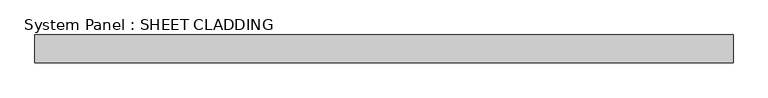
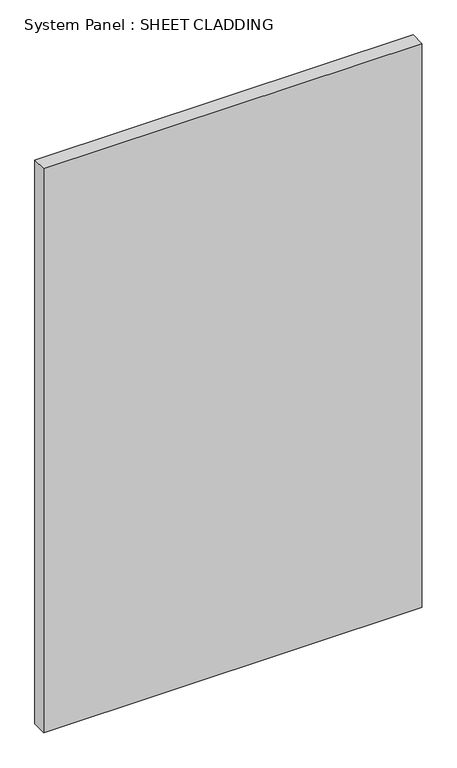
"""IFC4 building model written with IfcOpenShell, lengths in millimetres: plate geometry, System Panel : SHEET CLADDING."""

from ifc_helpers import new_model, si_unit, origin, origin_with_axes, place, context, project, spatial, polyline, outline, extrude, source, transform, mapped, element, save


def system_panel_sheet_cladding_0a04e845(model_context):
    return source(origin(), model_context, "Body", "SweptSolid", [
        extrude(outline(polyline([(750.0000002, -10.5), (-750.0000002, -10.5), (-750.0000002, 49.5), (750.0000002, 49.5), (750.0000002, -10.5)])), origin_with_axes(), (0.0, 0.0, 1.0), 2365.0),
    ])


if __name__ == "__main__":
    model = new_model("IFC4")
    model_context = context("Model", 3, world=origin())
    ifc_project = project(units=[si_unit("LENGTHUNIT", "METRE", prefix="MILLI")], contexts=[model_context])
    site = spatial("IfcSite", under=ifc_project)
    building = spatial("IfcBuilding", under=site)
    placement = place(None, origin())
    system_panel_sheet_cladding_shape = system_panel_sheet_cladding_0a04e845(model_context)
    element("IfcPlate", 1, ObjectType="System Panel : SHEET CLADDING", at=placement, inside=building, context=model_context, shape_type="MappedRepresentation", body=[
        mapped(system_panel_sheet_cladding_shape, transform((0.0, 0.0, 0.0), x_axis=(1.0, 0.0, 0.0), y_axis=(0.0, 1.0, 0.0), z_axis=(0.0, 0.0, 1.0))),
    ])
    save(model, "model.ifc")
